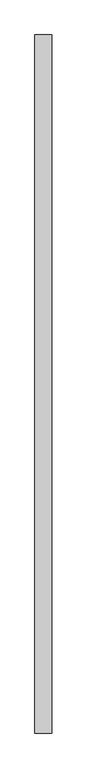
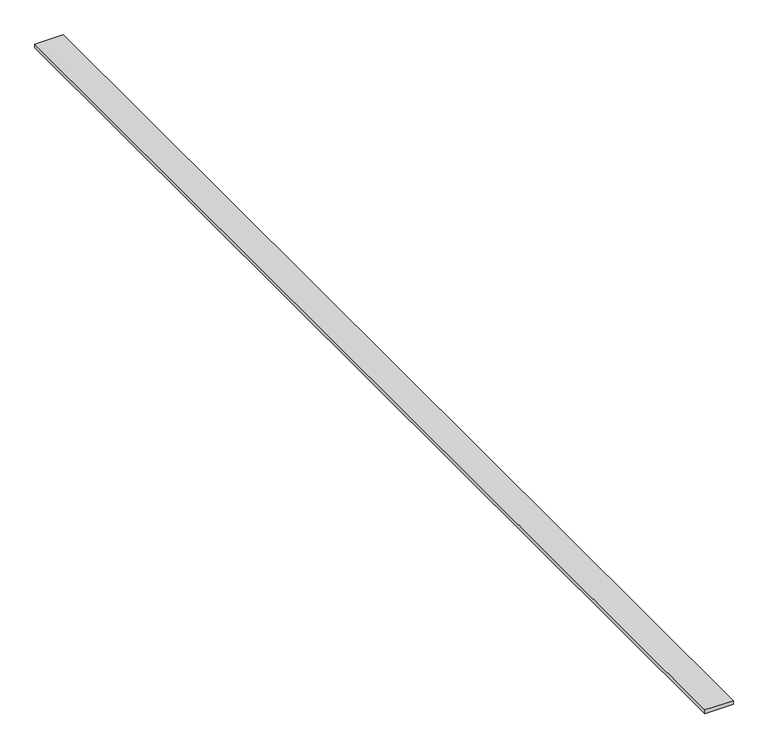
"""IFC4 building model written with IfcOpenShell, lengths in millimetres: proxy geometry."""

from ifc_helpers import new_model, si_unit, origin, origin_with_axes, place, context, project, spatial, polyline, outline, extrude, source, transform, mapped, element, save


def generic_models_ee62ef3f(model_context):
    return source(origin(), model_context, "Body", "SweptSolid", [
        extrude(outline(polyline([(26.7544115, 408.8971584), (26.7544115, -1651.1123976), (-23.2455885, -1651.1123976), (-23.2455885, 408.8971584), (26.7544115, 408.8971584)])), origin_with_axes(), (0.0, 0.0, 1.0), 7.0),
    ])


if __name__ == "__main__":
    model = new_model("IFC4")
    model_context = context("Model", 3, world=origin())
    ifc_project = project(units=[si_unit("LENGTHUNIT", "METRE", prefix="MILLI")], contexts=[model_context])
    site = spatial("IfcSite", under=ifc_project)
    building = spatial("IfcBuilding", under=site)
    placement = place(None, origin())
    generic_models_shape = generic_models_ee62ef3f(model_context)
    element("IfcBuildingElementProxy", 1, Name="Generic Models", at=placement, inside=building, context=model_context, shape_type="MappedRepresentation", body=[
        mapped(generic_models_shape, transform((0.0, 0.0, 0.0), x_axis=(1.0, 0.0, 0.0), y_axis=(0.0, 1.0, 0.0), z_axis=(0.0, 0.0, 1.0))),
    ])
    save(model, "model.ifc")
